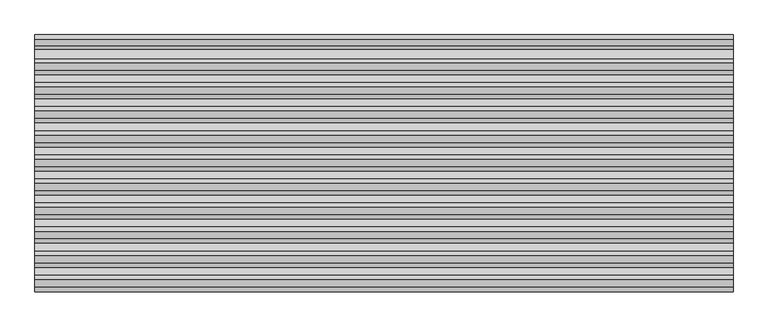
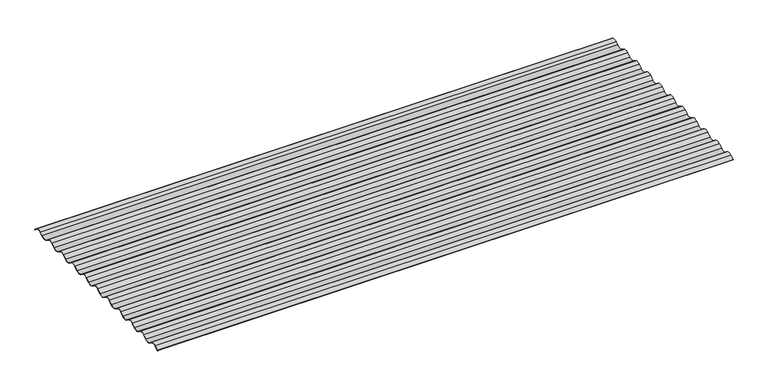
"""IFC4 building model written with IfcOpenShell, lengths in millimetres: beam geometry."""

from ifc_helpers import new_model, si_unit, point, frame, frame_2d, origin, place, context, project, spatial, polyline, circle_curve, trimmed, segment, composite_curve, outline, extrude, source, transform, mapped, element, save


def beam_13ac7b86(model_context):
    return source(origin(), model_context, "Body", "SweptSolid", [
        extrude(outline(composite_curve([segment(trimmed(circle_curve(frame_2d((-114.0, -3.7896475)), 22.0), [point((-101.5070748, -21.8983973))], [point((-126.4929252, -21.8983973))], False, "CARTESIAN"), True, "CONTINUOUS"), segment(polyline([(-126.4929252, -21.8983973), (-140.8417071, -11.9994114)]), True, "CONTINUOUS"), segment(trimmed(circle_curve(frame_2d((-152.0, -29.7896475)), 21.0), [point((-140.8417071, -11.9994114))], [point((-163.1582929, -11.9994114))], True, "CARTESIAN"), True, "CONTINUOUS"), segment(polyline([(-163.1582929, -11.9994114), (-177.5070748, -21.8983973)]), True, "CONTINUOUS"), segment(trimmed(circle_curve(frame_2d((-190.0, -3.7896475)), 22.0), [point((-177.5070748, -21.8983973))], [point((-202.4929252, -21.8983973))], False, "CARTESIAN"), True, "CONTINUOUS"), segment(polyline([(-202.4929252, -21.8983973), (-216.8417071, -11.9994114)]), True, "CONTINUOUS"), segment(trimmed(circle_curve(frame_2d((-228.0, -29.7896475)), 21.0), [point((-216.8417071, -11.9994114))], [point((-239.1582929, -11.9994114))], True, "CARTESIAN"), True, "CONTINUOUS"), segment(polyline([(-239.1582929, -11.9994114), (-253.5070748, -21.8983973)]), True, "CONTINUOUS"), segment(trimmed(circle_curve(frame_2d((-266.0, -3.7896475)), 22.0), [point((-253.5070748, -21.8983973))], [point((-278.4929252, -21.8983973))], False, "CARTESIAN"), True, "CONTINUOUS"), segment(polyline([(-278.4929252, -21.8983973), (-292.8417071, -11.9994114)]), True, "CONTINUOUS"), segment(trimmed(circle_curve(frame_2d((-304.0, -29.7896475)), 21.0), [point((-292.8417071, -11.9994114))], [point((-315.1582929, -11.9994114))], True, "CARTESIAN"), True, "CONTINUOUS"), segment(polyline([(-315.1582929, -11.9994114), (-329.5070748, -21.8983973)]), True, "CONTINUOUS"), segment(trimmed(circle_curve(frame_2d((-342.0, -3.7896475)), 22.0), [point((-329.5070748, -21.8983973))], [point((-354.4929252, -21.8983973))], False, "CARTESIAN"), True, "CONTINUOUS"), segment(polyline([(-354.4929252, -21.8983973), (-368.8417071, -11.9994114)]), True, "CONTINUOUS"), segment(trimmed(circle_curve(frame_2d((-380.0, -29.7896475)), 21.0), [point((-368.8417071, -11.9994114))], [point((-391.1582929, -11.9994114))], True, "CARTESIAN"), True, "CONTINUOUS"), segment(polyline([(-391.1582929, -11.9994114), (-405.5070748, -21.8983973)]), True, "CONTINUOUS"), segment(trimmed(circle_curve(frame_2d((-418.0, -3.7896475)), 22.0), [point((-405.5070748, -21.8983973))], [point((-430.4929252, -21.8983973))], False, "CARTESIAN"), True, "CONTINUOUS"), segment(polyline([(-430.4929252, -21.8983973), (-444.8417071, -11.9994114)]), True, "CONTINUOUS"), segment(trimmed(circle_curve(frame_2d((-456.0, -29.7896475)), 21.0), [point((-444.8417071, -11.9994114))], [point((-467.1582929, -11.9994114))], True, "CARTESIAN"), True, "CONTINUOUS"), segment(polyline([(-467.1582929, -11.9994114), (-481.5070748, -21.8983973)]), True, "CONTINUOUS"), segment(trimmed(circle_curve(frame_2d((-494.0, -3.7896475)), 22.0), [point((-481.5070748, -21.8983973))], [point((-506.4929252, -21.8983973))], False, "CARTESIAN"), True, "CONTINUOUS"), segment(polyline([(-506.4929252, -21.8983973), (-520.8417071, -11.9994114)]), True, "CONTINUOUS"), segment(trimmed(circle_curve(frame_2d((-532.0, -29.7896475)), 21.0), [point((-520.8417071, -11.9994114))], [point((-543.1582929, -11.9994114))], True, "CARTESIAN"), True, "CONTINUOUS"), segment(polyline([(-543.1582929, -11.9994114), (-557.5070748, -21.8983973)]), True, "CONTINUOUS"), segment(trimmed(circle_curve(frame_2d((-570.0, -3.7896475)), 22.0), [point((-557.5070748, -21.8983973))], [point((-582.4929252, -21.8983973))], False, "CARTESIAN"), True, "CONTINUOUS"), segment(polyline([(-582.4929252, -21.8983973), (-596.8417071, -11.9994114)]), True, "CONTINUOUS"), segment(trimmed(circle_curve(frame_2d((-608.0, -29.7896475)), 21.0), [point((-596.8417071, -11.9994114))], [point((-619.1582929, -11.9994114))], True, "CARTESIAN"), True, "CONTINUOUS"), segment(polyline([(-619.1582929, -11.9994114), (-633.5070748, -21.8983973)]), True, "CONTINUOUS"), segment(trimmed(circle_curve(frame_2d((-646.0, -3.7896475)), 22.0), [point((-633.5070748, -21.8983973))], [point((-658.4929252, -21.8983973))], False, "CARTESIAN"), True, "CONTINUOUS"), segment(polyline([(-658.4929252, -21.8983973), (-672.8417071, -11.9994114)]), True, "CONTINUOUS"), segment(trimmed(circle_curve(frame_2d((-684.0, -29.7896475)), 21.0), [point((-672.8417071, -11.9994114))], [point((-695.1582929, -11.9994114))], True, "CARTESIAN"), True, "CONTINUOUS"), segment(polyline([(-695.1582929, -11.9994114), (-709.5070748, -21.8983973)]), True, "CONTINUOUS"), segment(trimmed(circle_curve(frame_2d((-722.0, -3.7896475)), 22.0), [point((-709.5070748, -21.8983973))], [point((-734.4929252, -21.8983973))], False, "CARTESIAN"), True, "CONTINUOUS"), segment(polyline([(-734.4929252, -21.8983973), (-748.8417071, -11.9994114)]), True, "CONTINUOUS"), segment(trimmed(circle_curve(frame_2d((-760.0, -29.7896475)), 21.0), [point((-748.8417071, -11.9994114))], [point((-771.1582929, -11.9994114))], True, "CARTESIAN"), True, "CONTINUOUS"), segment(polyline([(-771.1582929, -11.9994114), (-785.1206351, -21.631799)]), True, "CONTINUOUS"), segment(trimmed(circle_curve(frame_2d((-785.4045652, -21.2202365)), 0.5), [point((-785.1206351, -21.631799))], [point((-785.6884953, -20.808674))], False, "CARTESIAN"), True, "CONTINUOUS"), segment(polyline([(-785.6884953, -20.808674), (-771.7083687, -11.1640172)]), True, "CONTINUOUS"), segment(trimmed(circle_curve(frame_2d((-760.0, -29.7896475)), 22.0), [point((-771.7083687, -11.1640172))], [point((-748.2916313, -11.1640172))], False, "CARTESIAN"), True, "CONTINUOUS"), segment(polyline([(-748.2916313, -11.1640172), (-733.925065, -21.0752723)]), True, "CONTINUOUS"), segment(trimmed(circle_curve(frame_2d((-722.0, -3.7896475)), 21.0), [point((-733.925065, -21.0752723))], [point((-710.074935, -21.0752723))], True, "CARTESIAN"), True, "CONTINUOUS"), segment(polyline([(-710.074935, -21.0752723), (-695.7083687, -11.1640172)]), True, "CONTINUOUS"), segment(trimmed(circle_curve(frame_2d((-684.0, -29.7896475)), 22.0), [point((-695.7083687, -11.1640172))], [point((-672.2916313, -11.1640172))], False, "CARTESIAN"), True, "CONTINUOUS"), segment(polyline([(-672.2916313, -11.1640172), (-657.925065, -21.0752723)]), True, "CONTINUOUS"), segment(trimmed(circle_curve(frame_2d((-646.0, -3.7896475)), 21.0), [point((-657.925065, -21.0752723))], [point((-634.074935, -21.0752723))], True, "CARTESIAN"), True, "CONTINUOUS"), segment(polyline([(-634.074935, -21.0752723), (-619.7083687, -11.1640172)]), True, "CONTINUOUS"), segment(trimmed(circle_curve(frame_2d((-608.0, -29.7896475)), 22.0), [point((-619.7083687, -11.1640172))], [point((-596.2916313, -11.1640172))], False, "CARTESIAN"), True, "CONTINUOUS"), segment(polyline([(-596.2916313, -11.1640172), (-581.925065, -21.0752723)]), True, "CONTINUOUS"), segment(trimmed(circle_curve(frame_2d((-570.0, -3.7896475)), 21.0), [point((-581.925065, -21.0752723))], [point((-558.074935, -21.0752723))], True, "CARTESIAN"), True, "CONTINUOUS"), segment(polyline([(-558.074935, -21.0752723), (-543.7083687, -11.1640172)]), True, "CONTINUOUS"), segment(trimmed(circle_curve(frame_2d((-532.0, -29.7896475)), 22.0), [point((-543.7083687, -11.1640172))], [point((-520.2916313, -11.1640172))], False, "CARTESIAN"), True, "CONTINUOUS"), segment(polyline([(-520.2916313, -11.1640172), (-505.925065, -21.0752723)]), True, "CONTINUOUS"), segment(trimmed(circle_curve(frame_2d((-494.0, -3.7896475)), 21.0), [point((-505.925065, -21.0752723))], [point((-482.074935, -21.0752723))], True, "CARTESIAN"), True, "CONTINUOUS"), segment(polyline([(-482.074935, -21.0752723), (-467.7083687, -11.1640172)]), True, "CONTINUOUS"), segment(trimmed(circle_curve(frame_2d((-456.0, -29.7896475)), 22.0), [point((-467.7083687, -11.1640172))], [point((-444.2916313, -11.1640172))], False, "CARTESIAN"), True, "CONTINUOUS"), segment(polyline([(-444.2916313, -11.1640172), (-429.925065, -21.0752723)]), True, "CONTINUOUS"), segment(trimmed(circle_curve(frame_2d((-418.0, -3.7896475)), 21.0), [point((-429.925065, -21.0752723))], [point((-406.074935, -21.0752723))], True, "CARTESIAN"), True, "CONTINUOUS"), segment(polyline([(-406.074935, -21.0752723), (-391.7083687, -11.1640172)]), True, "CONTINUOUS"), segment(trimmed(circle_curve(frame_2d((-380.0, -29.7896475)), 22.0), [point((-391.7083687, -11.1640172))], [point((-368.2916313, -11.1640172))], False, "CARTESIAN"), True, "CONTINUOUS"), segment(polyline([(-368.2916313, -11.1640172), (-353.925065, -21.0752723)]), True, "CONTINUOUS"), segment(trimmed(circle_curve(frame_2d((-342.0, -3.7896475)), 21.0), [point((-353.925065, -21.0752723))], [point((-330.074935, -21.0752723))], True, "CARTESIAN"), True, "CONTINUOUS"), segment(polyline([(-330.074935, -21.0752723), (-315.7083687, -11.1640172)]), True, "CONTINUOUS"), segment(trimmed(circle_curve(frame_2d((-304.0, -29.7896475)), 22.0), [point((-315.7083687, -11.1640172))], [point((-292.2916313, -11.1640172))], False, "CARTESIAN"), True, "CONTINUOUS"), segment(polyline([(-292.2916313, -11.1640172), (-277.925065, -21.0752723)]), True, "CONTINUOUS"), segment(trimmed(circle_curve(frame_2d((-266.0, -3.7896475)), 21.0), [point((-277.925065, -21.0752723))], [point((-254.074935, -21.0752723))], True, "CARTESIAN"), True, "CONTINUOUS"), segment(polyline([(-254.074935, -21.0752723), (-239.7083687, -11.1640172)]), True, "CONTINUOUS"), segment(trimmed(circle_curve(frame_2d((-228.0, -29.7896475)), 22.0), [point((-239.7083687, -11.1640172))], [point((-216.2916313, -11.1640172))], False, "CARTESIAN"), True, "CONTINUOUS"), segment(polyline([(-216.2916313, -11.1640172), (-201.925065, -21.0752723)]), True, "CONTINUOUS"), segment(trimmed(circle_curve(frame_2d((-190.0, -3.7896475)), 21.0), [point((-201.925065, -21.0752723))], [point((-178.074935, -21.0752723))], True, "CARTESIAN"), True, "CONTINUOUS"), segment(polyline([(-178.074935, -21.0752723), (-163.7083687, -11.1640172)]), True, "CONTINUOUS"), segment(trimmed(circle_curve(frame_2d((-152.0, -29.7896475)), 22.0), [point((-163.7083687, -11.1640172))], [point((-140.2916313, -11.1640172))], False, "CARTESIAN"), True, "CONTINUOUS"), segment(polyline([(-140.2916313, -11.1640172), (-125.925065, -21.0752723)]), True, "CONTINUOUS"), segment(trimmed(circle_curve(frame_2d((-114.0, -3.7896475)), 21.0), [point((-125.925065, -21.0752723))], [point((-102.074935, -21.0752723))], True, "CARTESIAN"), True, "CONTINUOUS"), segment(polyline([(-102.074935, -21.0752723), (-87.7083687, -11.1640172)]), True, "CONTINUOUS"), segment(trimmed(circle_curve(frame_2d((-76.0, -29.7896475)), 22.0), [point((-87.7083687, -11.1640172))], [point((-64.2916313, -11.1640172))], False, "CARTESIAN"), True, "CONTINUOUS"), segment(polyline([(-64.2916313, -11.1640172), (-51.2411976, -20.1672943)]), True, "CONTINUOUS"), segment(trimmed(circle_curve(frame_2d((-36.2390033, 1.8579031)), 26.6491117), [point((-51.2411976, -20.1672943))], [point((-21.236809, -20.1672943))], True, "CARTESIAN"), True, "CONTINUOUS"), segment(polyline([(-21.236809, -20.1672943), (-10.6086461, -12.8351015)]), True, "CONTINUOUS"), segment(trimmed(circle_curve(frame_2d((0.0, -29.7896475)), 20.0), [point((-10.6086461, -12.8351015))], [point((10.6086461, -12.8351015))], False, "CARTESIAN"), True, "CONTINUOUS"), segment(polyline([(10.6086461, -12.8351015), (24.9392146, -22.7215223)]), True, "CONTINUOUS"), segment(trimmed(circle_curve(frame_2d((24.6552844, -23.1330848)), 0.5), [point((24.9392146, -22.7215223))], [point((24.3713543, -23.5446473))], False, "CARTESIAN"), True, "CONTINUOUS"), segment(polyline([(24.3713543, -23.5446473), (10.0594608, -13.6711101)]), True, "CONTINUOUS"), segment(trimmed(circle_curve(frame_2d((0.0, -29.7896475)), 19.0), [point((10.0594608, -13.6711101))], [point((-10.0594608, -13.6711101))], True, "CARTESIAN"), True, "CONTINUOUS"), segment(polyline([(-10.0594608, -13.6711101), (-20.4055053, -20.808674)]), True, "CONTINUOUS"), segment(trimmed(circle_curve(frame_2d((-36.2390033, 1.8579031)), 27.6491117), [point((-20.4055053, -20.808674))], [point((-51.8066318, -20.992093))], False, "CARTESIAN"), True, "CONTINUOUS"), segment(polyline([(-51.8066318, -20.992093), (-64.8417071, -11.9994114)]), True, "CONTINUOUS"), segment(trimmed(circle_curve(frame_2d((-76.0, -29.7896475)), 21.0), [point((-64.8417071, -11.9994114))], [point((-87.1582929, -11.9994114))], True, "CARTESIAN"), True, "CONTINUOUS"), segment(polyline([(-87.1582929, -11.9994114), (-101.5070748, -21.8983973)]), True, "CONTINUOUS")], self_intersect=False)), frame((-1100.6390189, 0.0, 0.0), z_axis=(1.0, 0.0, 0.0), x_axis=(0.0, 1.0, 0.0)), (0.0, 0.0, 1.0), 2201.2780379),
    ])


if __name__ == "__main__":
    model = new_model("IFC4")
    model_context = context("Model", 3, world=origin())
    ifc_project = project(units=[si_unit("LENGTHUNIT", "METRE", prefix="MILLI")], contexts=[model_context])
    site = spatial("IfcSite", under=ifc_project)
    building = spatial("IfcBuilding", under=site)
    placement = place(None, origin())
    beam_shape = beam_13ac7b86(model_context)
    element("IfcBeam", 1, at=placement, inside=building, context=model_context, shape_type="MappedRepresentation", body=[
        mapped(beam_shape, transform((0.0, 0.0, 0.0), x_axis=(1.0, 0.0, 0.0), y_axis=(0.0, 1.0, 0.0), z_axis=(0.0, 0.0, 1.0))),
    ])
    save(model, "model.ifc")
